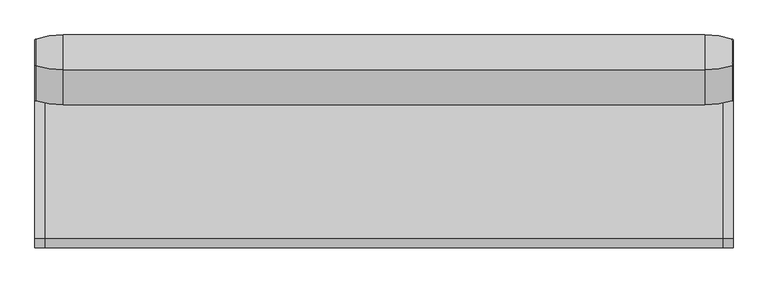
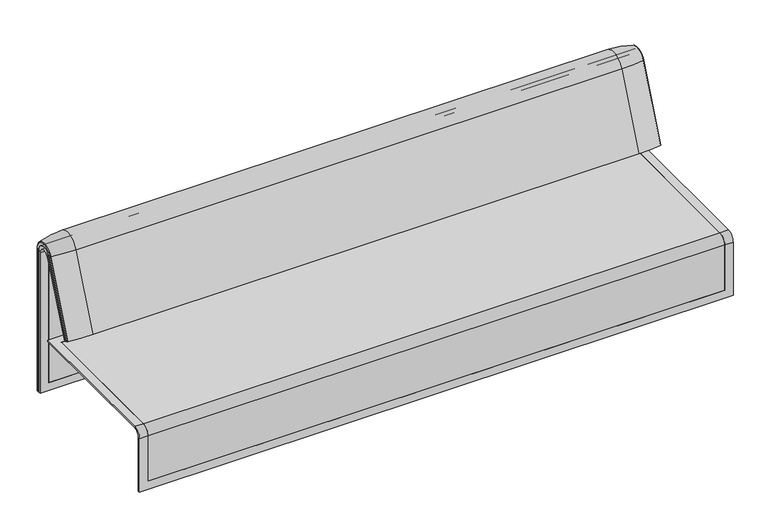
"""IFC4 building model written with IfcOpenShell, lengths in millimetres: furniture geometry."""

from ifc_helpers import new_model, si_unit, point, frame, frame_2d, origin, place, context, project, spatial, polyline, circle_curve, ellipse_curve, trimmed, segment, composite_curve, outline, extrude, source, transform, mapped, element, save
from ifc_brep_helpers import plane_surface, cylinder_surface, revolved_surface, advanced_brep


def furniture_84c65344(model_context):
    return source(origin(), model_context, "Body", "SolidModel", [
        extrude(outline(composite_curve([segment(trimmed(circle_curve(frame_2d((305.0000061, 379.9223263)), 30.0), [point((305.0000061, 349.9223263))], [point((335.0000061, 379.9223263))], True, "CARTESIAN"), True, "CONTINUOUS"), segment(polyline([(335.0000061, 379.9223263), (335.0000061, 515.0657595)]), True, "CONTINUOUS"), segment(trimmed(circle_curve(frame_2d((305.0000061, 515.0657595)), 30.0), [point((335.0000061, 515.0657595))], [point((316.7219399, 542.6809051))], True, "CARTESIAN"), True, "CONTINUOUS"), segment(polyline([(316.7219399, 542.6809051), (257.4911714, 567.8228747)]), True, "CONTINUOUS"), segment(trimmed(circle_curve(frame_2d((251.6302045, 554.0153019)), 15.0), [point((257.4911714, 567.8228747))], [point((238.0355877, 560.3545758))], True, "CARTESIAN"), True, "CONTINUOUS"), segment(polyline([(238.0355877, 560.3545758), (222.2725218, 526.5505721), (213.7507451, 529.5682915), (296.3054528, 724.0549949)]), True, "CONTINUOUS"), segment(trimmed(circle_curve(frame_2d((322.520748, 712.9272623)), 28.479258), [point((296.3054528, 724.0549949))], [point((351.0000061, 712.9272623))], False, "CARTESIAN"), True, "CONTINUOUS"), segment(polyline([(351.0000061, 712.9272623), (351.0000061, 197.0551771), (343.3075759, 197.0551771), (339.4064861, 271.492405)]), True, "CONTINUOUS"), segment(trimmed(circle_curve(frame_2d((309.4476, 269.9223263)), 30.0), [point((339.4064861, 271.492405))], [point((309.4476, 299.9223263))], True, "CARTESIAN"), True, "CONTINUOUS"), segment(polyline([(309.4476, 299.9223263), (270.0000061, 299.9223263), (270.0000061, 359.9223263), (275.0000061, 359.9223263)]), True, "CONTINUOUS"), segment(trimmed(circle_curve(frame_2d((285.0000061, 359.9223263)), 10.0), [point((275.0000061, 359.9223263))], [point((285.0000061, 349.9223263))], True, "CARTESIAN"), True, "CONTINUOUS"), segment(polyline([(285.0000061, 349.9223263), (305.0000061, 349.9223263)]), True, "CONTINUOUS")], self_intersect=False), holes=[composite_curve([segment(polyline([(337.5000061, 576.3274105), (337.5000061, 716.7072663)]), True, "CONTINUOUS"), segment(trimmed(circle_curve(frame_2d((322.5000061, 716.7072663)), 15.0), [point((337.5000061, 716.7072663))], [point((308.9053893, 723.0465402))], True, "CARTESIAN"), True, "CONTINUOUS"), segment(polyline([(308.9053893, 723.0465402), (253.6256191, 604.4986904)]), True, "CONTINUOUS"), segment(trimmed(circle_curve(frame_2d((271.7517748, 596.0463251)), 20.0), [point((253.6256191, 604.4986904))], [point((265.0756376, 577.1934953))], True, "CARTESIAN"), True, "CONTINUOUS"), segment(polyline([(265.0756376, 577.1934953), (314.1406626, 559.8186587)]), True, "CONTINUOUS"), segment(trimmed(circle_curve(frame_2d((319.9867182, 576.3274105)), 17.5132879), [point((314.1406626, 559.8186587))], [point((337.5000061, 576.3274105))], True, "CARTESIAN"), True, "CONTINUOUS")], self_intersect=False)]), frame((531.0195403, 0.0, 0.0), z_axis=(1.0, 0.0, 0.0), x_axis=(0.0, 1.0, 0.0)), (0.0, 0.0, 1.0), 40.0),
        extrude(outline(composite_curve([segment(trimmed(circle_curve(frame_2d((305.0000061, 379.9223263)), 30.0), [point((305.0000061, 349.9223263))], [point((335.0000061, 379.9223263))], True, "CARTESIAN"), True, "CONTINUOUS"), segment(polyline([(335.0000061, 379.9223263), (335.0000061, 515.0657595)]), True, "CONTINUOUS"), segment(trimmed(circle_curve(frame_2d((305.0000061, 515.0657595)), 30.0), [point((335.0000061, 515.0657595))], [point((316.7219399, 542.6809051))], True, "CARTESIAN"), True, "CONTINUOUS"), segment(polyline([(316.7219399, 542.6809051), (257.4911714, 567.8228747)]), True, "CONTINUOUS"), segment(trimmed(circle_curve(frame_2d((251.6302045, 554.0153019)), 15.0), [point((257.4911714, 567.8228747))], [point((238.0355877, 560.3545758))], True, "CARTESIAN"), True, "CONTINUOUS"), segment(polyline([(238.0355877, 560.3545758), (222.2725218, 526.5505721), (213.7507451, 529.5682915), (296.3054528, 724.0549949)]), True, "CONTINUOUS"), segment(trimmed(circle_curve(frame_2d((322.520748, 712.9272623)), 28.479258), [point((296.3054528, 724.0549949))], [point((351.0000061, 712.9272623))], False, "CARTESIAN"), True, "CONTINUOUS"), segment(polyline([(351.0000061, 712.9272623), (351.0000061, 197.0551771), (343.3075759, 197.0551771), (339.4064861, 271.492405)]), True, "CONTINUOUS"), segment(trimmed(circle_curve(frame_2d((309.4476, 269.9223263)), 30.0), [point((339.4064861, 271.492405))], [point((309.4476, 299.9223263))], True, "CARTESIAN"), True, "CONTINUOUS"), segment(polyline([(309.4476, 299.9223263), (270.0000061, 299.9223263), (270.0000061, 359.9223263), (275.0000061, 359.9223263)]), True, "CONTINUOUS"), segment(trimmed(circle_curve(frame_2d((285.0000061, 359.9223263)), 10.0), [point((275.0000061, 359.9223263))], [point((285.0000061, 349.9223263))], True, "CARTESIAN"), True, "CONTINUOUS"), segment(polyline([(285.0000061, 349.9223263), (305.0000061, 349.9223263)]), True, "CONTINUOUS")], self_intersect=False), holes=[composite_curve([segment(polyline([(337.5000061, 576.3274105), (337.5000061, 716.7072663)]), True, "CONTINUOUS"), segment(trimmed(circle_curve(frame_2d((322.5000061, 716.7072663)), 15.0), [point((337.5000061, 716.7072663))], [point((308.9053893, 723.0465402))], True, "CARTESIAN"), True, "CONTINUOUS"), segment(polyline([(308.9053893, 723.0465402), (253.6256191, 604.4986904)]), True, "CONTINUOUS"), segment(trimmed(circle_curve(frame_2d((271.7517748, 596.0463251)), 20.0), [point((253.6256191, 604.4986904))], [point((265.0756376, 577.1934953))], True, "CARTESIAN"), True, "CONTINUOUS"), segment(polyline([(265.0756376, 577.1934953), (314.1406626, 559.8186587)]), True, "CONTINUOUS"), segment(trimmed(circle_curve(frame_2d((319.9867182, 576.3274105)), 17.5132879), [point((314.1406626, 559.8186587))], [point((337.5000061, 576.3274105))], True, "CARTESIAN"), True, "CONTINUOUS")], self_intersect=False)]), frame((1061.0091339, 0.0, 0.0), z_axis=(1.0, 0.0, 0.0), x_axis=(0.0, 1.0, 0.0)), (0.0, 0.0, 1.0), 40.0),
        extrude(outline(composite_curve([segment(trimmed(circle_curve(frame_2d((305.0000061, 379.9223263)), 30.0), [point((305.0000061, 349.9223263))], [point((335.0000061, 379.9223263))], True, "CARTESIAN"), True, "CONTINUOUS"), segment(polyline([(335.0000061, 379.9223263), (335.0000061, 515.0657595)]), True, "CONTINUOUS"), segment(trimmed(circle_curve(frame_2d((305.0000061, 515.0657595)), 30.0), [point((335.0000061, 515.0657595))], [point((316.7219399, 542.6809051))], True, "CARTESIAN"), True, "CONTINUOUS"), segment(polyline([(316.7219399, 542.6809051), (257.4911714, 567.8228747)]), True, "CONTINUOUS"), segment(trimmed(circle_curve(frame_2d((251.6302045, 554.0153019)), 15.0), [point((257.4911714, 567.8228747))], [point((238.0355877, 560.3545758))], True, "CARTESIAN"), True, "CONTINUOUS"), segment(polyline([(238.0355877, 560.3545758), (222.2725218, 526.5505721), (213.7507451, 529.5682915), (296.3054528, 724.0549949)]), True, "CONTINUOUS"), segment(trimmed(circle_curve(frame_2d((322.520748, 712.9272623)), 28.479258), [point((296.3054528, 724.0549949))], [point((351.0000061, 712.9272623))], False, "CARTESIAN"), True, "CONTINUOUS"), segment(polyline([(351.0000061, 712.9272623), (351.0000061, 197.0551771), (343.3075759, 197.0551771), (339.4064861, 271.492405)]), True, "CONTINUOUS"), segment(trimmed(circle_curve(frame_2d((309.4476, 269.9223263)), 30.0), [point((339.4064861, 271.492405))], [point((309.4476, 299.9223263))], True, "CARTESIAN"), True, "CONTINUOUS"), segment(polyline([(309.4476, 299.9223263), (270.0000061, 299.9223263), (270.0000061, 359.9223263), (275.0000061, 359.9223263)]), True, "CONTINUOUS"), segment(trimmed(circle_curve(frame_2d((285.0000061, 359.9223263)), 10.0), [point((275.0000061, 359.9223263))], [point((285.0000061, 349.9223263))], True, "CARTESIAN"), True, "CONTINUOUS"), segment(polyline([(285.0000061, 349.9223263), (305.0000061, 349.9223263)]), True, "CONTINUOUS")], self_intersect=False), holes=[composite_curve([segment(polyline([(337.5000061, 576.3274105), (337.5000061, 716.7072663)]), True, "CONTINUOUS"), segment(trimmed(circle_curve(frame_2d((322.5000061, 716.7072663)), 15.0), [point((337.5000061, 716.7072663))], [point((308.9053893, 723.0465402))], True, "CARTESIAN"), True, "CONTINUOUS"), segment(polyline([(308.9053893, 723.0465402), (253.6256191, 604.4986904)]), True, "CONTINUOUS"), segment(trimmed(circle_curve(frame_2d((271.7517748, 596.0463251)), 20.0), [point((253.6256191, 604.4986904))], [point((265.0756376, 577.1934953))], True, "CARTESIAN"), True, "CONTINUOUS"), segment(polyline([(265.0756376, 577.1934953), (314.1406626, 559.8186587)]), True, "CONTINUOUS"), segment(trimmed(circle_curve(frame_2d((319.9867182, 576.3274105)), 17.5132879), [point((314.1406626, 559.8186587))], [point((337.5000061, 576.3274105))], True, "CARTESIAN"), True, "CONTINUOUS")], self_intersect=False)]), frame((-284.9947968, 0.0, 0.0), z_axis=(1.0, 0.0, 0.0), x_axis=(0.0, 1.0, 0.0)), (0.0, 0.0, 1.0), 40.0),
        extrude(outline(composite_curve([segment(trimmed(circle_curve(frame_2d((305.0000061, 379.9223263)), 30.0), [point((305.0000061, 349.9223263))], [point((335.0000061, 379.9223263))], True, "CARTESIAN"), True, "CONTINUOUS"), segment(polyline([(335.0000061, 379.9223263), (335.0000061, 515.0657595)]), True, "CONTINUOUS"), segment(trimmed(circle_curve(frame_2d((305.0000061, 515.0657595)), 30.0), [point((335.0000061, 515.0657595))], [point((316.7219399, 542.6809051))], True, "CARTESIAN"), True, "CONTINUOUS"), segment(polyline([(316.7219399, 542.6809051), (257.4911714, 567.8228747)]), True, "CONTINUOUS"), segment(trimmed(circle_curve(frame_2d((251.6302045, 554.0153019)), 15.0), [point((257.4911714, 567.8228747))], [point((238.0355877, 560.3545758))], True, "CARTESIAN"), True, "CONTINUOUS"), segment(polyline([(238.0355877, 560.3545758), (222.2725218, 526.5505721), (213.7507451, 529.5682915), (296.3054528, 724.0549949)]), True, "CONTINUOUS"), segment(trimmed(circle_curve(frame_2d((322.520748, 712.9272623)), 28.479258), [point((296.3054528, 724.0549949))], [point((351.0000061, 712.9272623))], False, "CARTESIAN"), True, "CONTINUOUS"), segment(polyline([(351.0000061, 712.9272623), (351.0000061, 197.0551771), (343.3075759, 197.0551771), (339.4064861, 271.492405)]), True, "CONTINUOUS"), segment(trimmed(circle_curve(frame_2d((309.4476, 269.9223263)), 30.0), [point((339.4064861, 271.492405))], [point((309.4476, 299.9223263))], True, "CARTESIAN"), True, "CONTINUOUS"), segment(polyline([(309.4476, 299.9223263), (270.0000061, 299.9223263), (270.0000061, 359.9223263), (275.0000061, 359.9223263)]), True, "CONTINUOUS"), segment(trimmed(circle_curve(frame_2d((285.0000061, 359.9223263)), 10.0), [point((275.0000061, 359.9223263))], [point((285.0000061, 349.9223263))], True, "CARTESIAN"), True, "CONTINUOUS"), segment(polyline([(285.0000061, 349.9223263), (305.0000061, 349.9223263)]), True, "CONTINUOUS")], self_intersect=False), holes=[composite_curve([segment(polyline([(337.5000061, 576.3274105), (337.5000061, 716.7072663)]), True, "CONTINUOUS"), segment(trimmed(circle_curve(frame_2d((322.5000061, 716.7072663)), 15.0), [point((337.5000061, 716.7072663))], [point((308.9053893, 723.0465402))], True, "CARTESIAN"), True, "CONTINUOUS"), segment(polyline([(308.9053893, 723.0465402), (253.6256191, 604.4986904)]), True, "CONTINUOUS"), segment(trimmed(circle_curve(frame_2d((271.7517748, 596.0463251)), 20.0), [point((253.6256191, 604.4986904))], [point((265.0756376, 577.1934953))], True, "CARTESIAN"), True, "CONTINUOUS"), segment(polyline([(265.0756376, 577.1934953), (314.1406626, 559.8186587)]), True, "CONTINUOUS"), segment(trimmed(circle_curve(frame_2d((319.9867182, 576.3274105)), 17.5132879), [point((314.1406626, 559.8186587))], [point((337.5000061, 576.3274105))], True, "CARTESIAN"), True, "CONTINUOUS")], self_intersect=False)]), frame((244.9947968, 0.0, 0.0), z_axis=(1.0, 0.0, 0.0), x_axis=(0.0, 1.0, 0.0)), (0.0, 0.0, 1.0), 40.0),
        advanced_brep(
        [(1224.0215056, 351.0000061, 101.8476716), (1224.0215056, 359.7858817, 101.8476716), (1224.0215056, 359.7858817, 720.3417731), (1224.0215056, 292.4403877, 733.7122262), (1224.0215056, 170.1966807, 437.98305), (1224.0215056, 175.0204081, 435.9866665), (1224.0215056, 296.2458652, 723.9869215), (1224.0215056, 351.0000061, 712.9272623), (-1223.9884174, 351.0000061, 101.8476716), (-1223.9884174, 351.0000061, 712.9272623), (-1223.9884174, 296.2720241, 723.9759107), (-1223.9884174, 175.0204081, 435.9866665), (-1223.9884174, 170.1966807, 437.98305), (-1223.9884174, 292.4403877, 733.7122262), (-1223.9884174, 359.7858817, 720.3417731), (-1223.9884174, 359.7858817, 101.8476716), (1189.1049615, 292.4403877, 733.7122262), (1189.1049615, 176.0980387, 452.25948), (-1189.1049615, 176.0980387, 452.25948), (-1189.1049615, 292.4403877, 733.7122262), (-1189.1049615, 296.2458652, 723.9869215), (-1189.1049615, 181.0136548, 450.2250668), (1189.1049615, 181.0136548, 450.2250668), (1189.1049615, 296.2458652, 723.9869215), (1189.1049615, 351.0000061, 712.9272623), (1189.1049615, 351.0000061, 135.3766997), (-1189.1049615, 351.0000061, 135.3766997), (-1189.1049615, 351.0000061, 712.9272623), (-1189.1049615, 359.7858817, 720.3417731), (-1189.1049615, 359.7858817, 135.3766997), (1189.1049615, 359.7858817, 135.3766997), (1189.1049615, 359.7858817, 720.3417731)],
        [
            (0, 1),
            (1, 2),
            (2, 3, circle_curve(frame((1224.0215056, 324.7858817, 720.3417731), z_axis=(1.0, 0.0, 0.0), x_axis=(0.0, -1.0, 0.0)), 35.0)),
            (3, 4),
            (4, 5),
            (5, 6),
            (6, 7, circle_curve(frame((1224.0215056, 322.520748, 712.9272623), z_axis=(-1.0, 0.0, 0.0), x_axis=(0.0, -1.0, 0.0)), 28.479258)),
            (7, 0),
            (8, 9),
            (9, 10, circle_curve(frame((-1223.9884174, 322.520748, 712.9272623), z_axis=(1.0, 0.0, 0.0), x_axis=(0.0, -1.0, 0.0)), 28.479258)),
            (10, 11),
            (11, 12),
            (12, 13),
            (13, 14, circle_curve(frame((-1223.9884174, 324.7858817, 720.3417731), z_axis=(-1.0, 0.0, 0.0), x_axis=(0.0, -1.0, 0.0)), 35.0)),
            (14, 15),
            (15, 8),
            (3, 16),
            (16, 17),
            (17, 18),
            (18, 19),
            (19, 13),
            (12, 4),
            (11, 5),
            (10, 20),
            (20, 21),
            (21, 22),
            (22, 23),
            (23, 6),
            (7, 24),
            (24, 25),
            (25, 26),
            (26, 27),
            (27, 9),
            (8, 0),
            (15, 1),
            (14, 28),
            (28, 29),
            (29, 30),
            (30, 31),
            (31, 2),
            (31, 16, circle_curve(frame((1189.1049615, 324.7858817, 720.3417731), z_axis=(1.0, 0.0, 0.0), x_axis=(0.0, -1.0, 0.0)), 35.0)),
            (19, 28, circle_curve(frame((-1189.1049615, 324.7858817, 720.3417731), z_axis=(-1.0, 0.0, 0.0), x_axis=(0.0, -1.0, 0.0)), 35.0)),
            (23, 24, circle_curve(frame((1189.1049615, 322.520748, 712.9272623), z_axis=(-1.0, 0.0, 0.0), x_axis=(0.0, -1.0, 0.0)), 28.479258)),
            (27, 20, circle_curve(frame((-1189.1049615, 322.520748, 712.9272623), z_axis=(1.0, 0.0, 0.0), x_axis=(0.0, -1.0, 0.0)), 28.479258)),
            (22, 17),
            (30, 25),
            (26, 29),
            (18, 21),
        ],
        [
            plane_surface(frame((1224.0215056, 359.7858817, 101.8476716), z_axis=(1.0, 0.0, 0.0), x_axis=(0.0, 1.0, 0.0))),
            plane_surface(frame((-1223.9884174, 359.7858817, 101.8476716), z_axis=(-1.0, 0.0, 0.0), x_axis=(0.0, -1.0, 0.0))),
            plane_surface(frame((1224.0215056, 292.4403877, 733.7122262), z_axis=(0.0, -0.9241569717933176, 0.3820129467515535), x_axis=(-1.0, 0.0, 0.0))),
            plane_surface(frame((1224.0215056, 170.1966807, 437.98305), z_axis=(0.0, -0.3824103944198279, -0.9239925812687414), x_axis=(-1.0, 0.0, 0.0))),
            plane_surface(frame((1224.0215056, 175.0204081, 435.9866665), z_axis=(0.0, 0.921678643444566, -0.3879542218073993), x_axis=(-1.0, 0.0, 0.0))),
            plane_surface(frame((1224.0215056, 351.0000061, 712.9272623), z_axis=(0.0, -1.0, 0.0), x_axis=(-1.0, 0.0, 0.0))),
            plane_surface(frame((1224.0215056, 351.0000061, 101.8476716), z_axis=(0.0, 0.0, -1.0), x_axis=(-1.0, 0.0, 0.0))),
            plane_surface(frame((1224.0215056, 359.7858817, 101.8476716), z_axis=(0.0, 1.0, 0.0), x_axis=(-1.0, 0.0, 0.0))),
            cylinder_surface(frame((-1223.9884174, 324.7858817, 720.3417731), z_axis=(1.0, 0.0, 0.0), x_axis=(0.0, -1.0, 0.0)), 35.0),
            revolved_surface(polyline([(1189.1049615000002, 294.04149, 712.9272623), (1224.0215055999997, 294.04149, 712.9272623)]), (-1223.9884174, 322.520748, 712.9272623), (-1.0, 0.0, 0.0)),
            revolved_surface(polyline([(-1223.9884174, 294.04149, 712.9272623), (-1189.1049615, 294.04149, 712.9272623)]), (-1223.9884174, 322.520748, 712.9272623), (-1.0, 0.0, 0.0)),
            plane_surface(frame((1189.1049615, 359.7858817, 135.3766997), z_axis=(-1.0, 0.0, 0.0), x_axis=(0.0, 1.0, 0.0))),
            plane_surface(frame((-1189.1049615, 359.7858817, 135.3766997), z_axis=(1.0, 0.0, 0.0), x_axis=(0.0, -1.0, 0.0))),
            plane_surface(frame((1189.1049615, 166.9120641, 456.0612553), z_axis=(0.0, 0.38241039441982605, 0.9239925812687422), x_axis=(-1.0, 0.0, 0.0))),
            plane_surface(frame((1189.1049615, 344.7858817, 135.3766997), z_axis=(0.0, 0.0, 1.0), x_axis=(-1.0, 0.0, 0.0))),
        ],
        [
            (0, [[1, 2, 3, 4, 5, 6, 7, 8]]),
            (1, [[9, 10, 11, 12, 13, 14, 15, 16]]),
            (2, [[-4, 17, 18, 19, 20, 21, -13, 22]]),
            (3, [[-5, -22, -12, 23]]),
            (4, [[-6, -23, -11, 24, 25, 26, 27, 28]]),
            (5, [[-8, 29, 30, 31, 32, 33, -9, 34]]),
            (6, [[-1, -34, -16, 35]]),
            (7, [[-2, -35, -15, 36, 37, 38, 39, 40]]),
            (8, [[-3, -40, 41, -17]]),
            (8, [[-14, -21, 42, -36]]),
            (9, [[-7, -28, 43, -29]]),
            (10, [[-10, -33, 44, -24]]),
            (11, [[45, -18, -41, -39, 46, -30, -43, -27]]),
            (12, [[47, -37, -42, -20, 48, -25, -44, -32]]),
            (13, [[-45, -26, -48, -19]]),
            (14, [[-46, -38, -47, -31]]),
        ],
    ),
        advanced_brep(
        [(1189.1049615, 351.0000061, 135.3766997), (1189.1049615, 359.7858817, 135.3766997), (1189.1049615, 359.7858817, 720.3417731), (1189.1049615, 292.4403877, 733.7122262), (1189.1049615, 176.0980387, 452.25948), (1189.1049615, 181.0136548, 450.2250668), (1189.1049615, 296.2458652, 723.9869215), (1189.1049615, 351.0000061, 712.9272623), (-1189.1049615, 351.0000061, 135.3766997), (-1189.1049615, 351.0000061, 712.9272623), (-1189.1049615, 296.2720241, 723.9759107), (-1189.1049615, 181.0136548, 450.2250668), (-1189.1049615, 176.0980387, 452.25948), (-1189.1049615, 292.4403877, 733.7122262), (-1189.1049615, 359.7858817, 720.3417731), (-1189.1049615, 359.7858817, 135.3766997)],
        [
            (0, 1),
            (1, 2),
            (2, 3, circle_curve(frame((1189.1049615, 324.7858817, 720.3417731), z_axis=(1.0, 0.0, 0.0), x_axis=(0.0, -1.0, 0.0)), 35.0)),
            (3, 4),
            (4, 5),
            (5, 6),
            (6, 7, circle_curve(frame((1189.1049615, 322.520748, 712.9272623), z_axis=(-1.0, 0.0, 0.0), x_axis=(0.0, -1.0, 0.0)), 28.479258)),
            (7, 0),
            (8, 9),
            (9, 10, circle_curve(frame((-1189.1049615, 322.520748, 712.9272623), z_axis=(1.0, 0.0, 0.0), x_axis=(0.0, -1.0, 0.0)), 28.479258)),
            (10, 11),
            (11, 12),
            (12, 13),
            (13, 14, circle_curve(frame((-1189.1049615, 324.7858817, 720.3417731), z_axis=(-1.0, 0.0, 0.0), x_axis=(0.0, -1.0, 0.0)), 35.0)),
            (14, 15),
            (15, 8),
            (3, 13),
            (12, 4),
            (11, 5),
            (10, 6),
            (7, 9),
            (8, 0),
            (15, 1),
            (14, 2),
        ],
        [
            plane_surface(frame((1189.1049615, 359.7858817, 135.3766997), z_axis=(1.0, 0.0, 0.0), x_axis=(0.0, 1.0, 0.0))),
            plane_surface(frame((-1189.1049615, 359.7858817, 135.3766997), z_axis=(-1.0, 0.0, 0.0), x_axis=(0.0, -1.0, 0.0))),
            plane_surface(frame((1189.1049615, 292.4403877, 733.7122262), z_axis=(0.0, -0.9241569717933176, 0.3820129467515535), x_axis=(-1.0, 0.0, 0.0))),
            plane_surface(frame((1189.1049615, 176.0980387, 452.25948), z_axis=(0.0, -0.38241039441982716, -0.9239925812687417), x_axis=(-1.0, 0.0, 0.0))),
            plane_surface(frame((1189.1049615, 181.0136548, 450.2250668), z_axis=(0.0, 0.921678643444566, -0.3879542218073993), x_axis=(-1.0, 0.0, 0.0))),
            plane_surface(frame((1189.1049615, 351.0000061, 712.9272623), z_axis=(0.0, -1.0, 0.0), x_axis=(-1.0, 0.0, 0.0))),
            plane_surface(frame((1189.1049615, 351.0000061, 135.3766997), z_axis=(0.0, 0.0, -1.0), x_axis=(-1.0, 0.0, 0.0))),
            plane_surface(frame((1189.1049615, 359.7858817, 135.3766997), z_axis=(0.0, 1.0, 0.0), x_axis=(-1.0, 0.0, 0.0))),
            cylinder_surface(frame((-1189.1049615, 324.7858817, 720.3417731), z_axis=(1.0, 0.0, 0.0), x_axis=(0.0, -1.0, 0.0)), 35.0),
            revolved_surface(polyline([(-1189.1049615, 294.04149, 712.9272623), (1189.1049615, 294.04149, 712.9272623)]), (-1189.1049615, 322.520748, 712.9272623), (-1.0, 0.0, 0.0)),
        ],
        [
            (0, [[1, 2, 3, 4, 5, 6, 7, 8]]),
            (1, [[9, 10, 11, 12, 13, 14, 15, 16]]),
            (2, [[-4, 17, -13, 18]]),
            (3, [[-5, -18, -12, 19]]),
            (4, [[-6, -19, -11, 20]]),
            (5, [[-8, 21, -9, 22]]),
            (6, [[-1, -22, -16, 23]]),
            (7, [[-2, -23, -15, 24]]),
            (8, [[-3, -24, -14, -17]]),
            (9, [[-7, -20, -10, -21]]),
        ],
    ),
        extrude(outline(composite_curve([segment(trimmed(circle_curve(frame_2d((305.0000061, 379.9223263)), 30.0), [point((305.0000061, 349.9223263))], [point((335.0000061, 379.9223263))], True, "CARTESIAN"), True, "CONTINUOUS"), segment(polyline([(335.0000061, 379.9223263), (335.0000061, 515.0657595)]), True, "CONTINUOUS"), segment(trimmed(circle_curve(frame_2d((305.0000061, 515.0657595)), 30.0), [point((335.0000061, 515.0657595))], [point((316.7219399, 542.6809051))], True, "CARTESIAN"), True, "CONTINUOUS"), segment(polyline([(316.7219399, 542.6809051), (257.4911714, 567.8228747)]), True, "CONTINUOUS"), segment(trimmed(circle_curve(frame_2d((251.6302045, 554.0153019)), 15.0), [point((257.4911714, 567.8228747))], [point((238.0355877, 560.3545758))], True, "CARTESIAN"), True, "CONTINUOUS"), segment(polyline([(238.0355877, 560.3545758), (222.2725218, 526.5505721), (213.7507451, 529.5682915), (296.3054528, 724.0549949)]), True, "CONTINUOUS"), segment(trimmed(circle_curve(frame_2d((322.520748, 712.9272623)), 28.479258), [point((296.3054528, 724.0549949))], [point((351.0000061, 712.9272623))], False, "CARTESIAN"), True, "CONTINUOUS"), segment(polyline([(351.0000061, 712.9272623), (351.0000061, 197.0551771), (343.3075759, 197.0551771), (339.4064861, 271.492405)]), True, "CONTINUOUS"), segment(trimmed(circle_curve(frame_2d((309.4476, 269.9223263)), 30.0), [point((339.4064861, 271.492405))], [point((309.4476, 299.9223263))], True, "CARTESIAN"), True, "CONTINUOUS"), segment(polyline([(309.4476, 299.9223263), (270.0000061, 299.9223263), (270.0000061, 359.9223263), (275.0000061, 359.9223263)]), True, "CONTINUOUS"), segment(trimmed(circle_curve(frame_2d((285.0000061, 359.9223263)), 10.0), [point((275.0000061, 359.9223263))], [point((285.0000061, 349.9223263))], True, "CARTESIAN"), True, "CONTINUOUS"), segment(polyline([(285.0000061, 349.9223263), (305.0000061, 349.9223263)]), True, "CONTINUOUS")], self_intersect=False), holes=[composite_curve([segment(polyline([(337.5000061, 576.3274105), (337.5000061, 716.7072663)]), True, "CONTINUOUS"), segment(trimmed(circle_curve(frame_2d((322.5000061, 716.7072663)), 15.0), [point((337.5000061, 716.7072663))], [point((308.9053893, 723.0465402))], True, "CARTESIAN"), True, "CONTINUOUS"), segment(polyline([(308.9053893, 723.0465402), (253.6256191, 604.4986904)]), True, "CONTINUOUS"), segment(trimmed(circle_curve(frame_2d((271.7517748, 596.0463251)), 20.0), [point((253.6256191, 604.4986904))], [point((265.0756376, 577.1934953))], True, "CARTESIAN"), True, "CONTINUOUS"), segment(polyline([(265.0756376, 577.1934953), (314.1406626, 559.8186587)]), True, "CONTINUOUS"), segment(trimmed(circle_curve(frame_2d((319.9867182, 576.3274105)), 17.5132879), [point((314.1406626, 559.8186587))], [point((337.5000061, 576.3274105))], True, "CARTESIAN"), True, "CONTINUOUS")], self_intersect=False)]), frame((-571.0195403, 0.0, 0.0), z_axis=(1.0, 0.0, 0.0), x_axis=(0.0, 1.0, 0.0)), (0.0, 0.0, 1.0), 40.0),
        advanced_brep(
        [(1124.0215056, 388.2902376, 100.5089435), (1221.8828771, 373.93893, 100.5089435), (1224.0215056, 371.0652495, 100.5089435), (1224.0215056, 359.7858817, 100.5089435), (-1224.0215056, 359.7858817, 100.5089435), (-1224.0215056, 371.0652495, 100.5089435), (-1221.8828771, 373.93893, 100.5089435), (-1124.0215056, 388.2902376, 100.5089435), (-1124.0215056, 388.2902376, 720.3417731), (1124.0215056, 388.2902376, 720.3417731), (1221.8828771, 373.93893, 720.3417731), (1224.0215056, 371.0652495, 720.3417731), (1224.0215056, 282.0164812, 738.0210907), (1224.0215056, 159.7723383, 442.2908598), (1224.0215056, 170.1962447, 437.9819952), (1224.0215056, 292.4403877, 733.7122262), (1224.0215056, 359.7858817, 720.3417731), (-1224.0215056, 359.7858817, 720.3417731), (1124.0215056, 143.8537454, 448.8710282), (-1124.0215056, 143.8537454, 448.8710282), (-1221.8828771, 157.1166065, 443.3886429), (-1224.0215056, 159.7723383, 442.2908598), (-1224.0215056, 170.1962447, 437.9819952), (1221.8828771, 157.1166065, 443.3886429), (1124.0215056, 266.0978884, 744.6012592), (-1124.0215056, 266.0978884, 744.6012592), (1221.8828771, 279.3607494, 739.1188739), (-1224.0215056, 292.4403877, 733.7122262), (-1224.0215056, 282.0164812, 738.0210907), (-1224.0215056, 371.0652495, 720.3417731), (-1221.8828771, 373.93893, 720.3417731), (-1221.8828771, 279.3607494, 739.1188739)],
        [
            (0, 1, circle_curve(frame((1124.0215056, 47.4569043, 100.5089435), z_axis=(0.0, 0.0, -1.0), x_axis=(0.0, -1.0, 0.0)), 340.8333333)),
            (1, 2, circle_curve(frame((1221.0215056, 371.0652495, 100.5089435), z_axis=(0.0, 0.0, -1.0), x_axis=(1.0, 0.0, 0.0)), 3.0)),
            (2, 3),
            (3, 4),
            (4, 5),
            (5, 6, circle_curve(frame((-1221.0215056, 371.0652495, 100.5089435), z_axis=(0.0, 0.0, -1.0), x_axis=(-1.0, 0.0, 0.0)), 3.0)),
            (6, 7, circle_curve(frame((-1124.0215056, 47.4569043, 100.5089435), z_axis=(0.0, 0.0, -1.0), x_axis=(0.0, -1.0, 0.0)), 340.8333333)),
            (7, 0),
            (7, 8),
            (8, 9),
            (9, 0),
            (9, 10, circle_curve(frame((1124.0215056, 47.4569043, 720.3417731), z_axis=(0.0, 0.0, -1.0), x_axis=(0.0, -1.0, 0.0)), 340.8333333)),
            (10, 1),
            (10, 11, circle_curve(frame((1221.0215056, 371.0652495, 720.3417731), z_axis=(0.0, 0.0, -1.0), x_axis=(1.0, 0.0, 0.0)), 3.0)),
            (11, 2),
            (11, 12, circle_curve(frame((1224.0215056, 324.7858817, 720.3417731), z_axis=(1.0, 0.0, 0.0), x_axis=(0.0, 1.0, 0.0)), 46.2793679)),
            (12, 13),
            (13, 14),
            (14, 15),
            (15, 16, circle_curve(frame((1224.0215056, 324.7858817, 720.3417731), z_axis=(-1.0, 0.0, 0.0), x_axis=(0.0, 1.0, 0.0)), 35.0)),
            (16, 3),
            (16, 17),
            (17, 4),
            (18, 19),
            (19, 20, circle_curve(frame((-1124.0215056, 458.8372467, 318.6682822), z_axis=(0.0, -0.38201294675155345, -0.9241569717933176), x_axis=(0.0, 0.9241569717933176, -0.38201294675155345)), 340.8333333)),
            (20, 21, circle_curve(frame((-1221.0215056, 159.7723383, 442.2908598), z_axis=(0.0, -0.38201294675155345, -0.9241569717933176), x_axis=(-1.0, 0.0, 0.0)), 3.0)),
            (21, 22),
            (22, 14),
            (13, 23, circle_curve(frame((1221.0215056, 159.7723383, 442.2908598), z_axis=(0.0, -0.38201294675155345, -0.9241569717933176), x_axis=(1.0, 0.0, 0.0)), 3.0)),
            (23, 18, circle_curve(frame((1124.0215056, 458.8372467, 318.6682822), z_axis=(0.0, -0.38201294675155345, -0.9241569717933176), x_axis=(0.0, 0.9241569717933176, -0.38201294675155345)), 340.8333333)),
            (24, 9, circle_curve(frame((1124.0215056, 324.7858817, 720.3417731), z_axis=(-1.0, 0.0, 0.0), x_axis=(0.0, 1.0, 0.0)), 63.5043559)),
            (8, 25, circle_curve(frame((-1124.0215056, 324.7858817, 720.3417731), z_axis=(1.0, 0.0, 0.0), x_axis=(0.0, 1.0, 0.0)), 63.5043559)),
            (25, 24),
            (26, 10, circle_curve(frame((1221.8828771, 324.7858817, 720.3417731), z_axis=(-1.0, 0.0, 0.0), x_axis=(0.0, 1.0, 0.0)), 49.1530483)),
            (24, 26, circle_curve(frame((1124.0215056, 581.0813896, 614.3985132), z_axis=(0.0, 0.3820129467515544, 0.9241569717933172), x_axis=(0.0, 0.9241569717933172, -0.3820129467515544)), 340.8333333)),
            (26, 12, circle_curve(frame((1221.0215056, 282.0164812, 738.0210907), z_axis=(0.0, 0.3820129467515532, 0.9241569717933177), x_axis=(1.0, 0.0, 0.0)), 3.0)),
            (27, 17, circle_curve(frame((-1224.0215056, 324.7858817, 720.3417731), z_axis=(-1.0, 0.0, 0.0), x_axis=(0.0, 1.0, 0.0)), 35.0)),
            (15, 27),
            (25, 19),
            (18, 24),
            (23, 26),
            (22, 27),
            (21, 28),
            (28, 29, circle_curve(frame((-1224.0215056, 324.7858817, 720.3417731), z_axis=(-1.0, 0.0, 0.0), x_axis=(0.0, 1.0, 0.0)), 46.2793679)),
            (29, 5),
            (29, 30, circle_curve(frame((-1221.0215056, 371.0652495, 720.3417731), z_axis=(0.0, 0.0, -1.0), x_axis=(-1.0, 0.0, 0.0)), 3.0)),
            (30, 6),
            (30, 8, circle_curve(frame((-1124.0215056, 47.4569043, 720.3417731), z_axis=(0.0, 0.0, -1.0), x_axis=(0.0, -1.0, 0.0)), 340.8333333)),
            (31, 30, circle_curve(frame((-1221.8828771, 324.7858817, 720.3417731), z_axis=(-1.0, 0.0, 0.0), x_axis=(0.0, 1.0, 0.0)), 49.1530483)),
            (28, 31, circle_curve(frame((-1221.0215056, 282.0164812, 738.0210907), z_axis=(0.0, 0.382012946751554, 0.9241569717933174), x_axis=(-1.0, 0.0, 0.0)), 3.0)),
            (31, 25, circle_curve(frame((-1124.0215056, 581.0813896, 614.3985132), z_axis=(0.0, 0.3820129467515544, 0.9241569717933172), x_axis=(0.0, 0.9241569717933172, -0.3820129467515544)), 340.8333333)),
            (20, 31),
        ],
        [
            plane_surface(frame((-811.2493139, 359.7858817, 100.5089435), z_axis=(0.0, 0.0, -1.0), x_axis=(1.0, 0.0, 0.0))),
            plane_surface(frame((-1124.0215056, 388.2902376, 100.5089435), z_axis=(0.0, 1.0, 0.0), x_axis=(0.0, 0.0, 1.0))),
            cylinder_surface(frame((1124.0215056, 47.4569043, 100.5089435), z_axis=(0.0, 0.0, -1.0), x_axis=(0.0, -1.0, 0.0)), 340.8333333),
            cylinder_surface(frame((1221.0215056, 371.0652495, 100.5089435), z_axis=(0.0, 0.0, -1.0), x_axis=(1.0, 0.0, 0.0)), 3.0),
            plane_surface(frame((1224.0215056, 371.0652495, 100.5089435), z_axis=(1.0, 0.0, 0.0), x_axis=(0.0, 0.0, 1.0))),
            plane_surface(frame((1224.0215056, 359.7858817, 100.5089435), z_axis=(0.0, -1.0, 0.0), x_axis=(0.0, 0.0, 1.0))),
            plane_surface(frame((-811.2493139, 170.1962447, 437.9819952), z_axis=(0.0, -0.38201294675155345, -0.9241569717933176), x_axis=(1.0, 0.0, 0.0))),
            cylinder_surface(frame((-811.2493139, 324.7858817, 720.3417731), z_axis=(1.0, 0.0, 0.0), x_axis=(0.0, 1.0, 0.0)), 63.5043559),
            revolved_surface(trimmed(ellipse_curve(frame((1124.0215056, 47.4569043, 720.3417731), z_axis=(0.0, 0.0, -1.0), x_axis=(0.0, -1.0, 0.0)), 340.8333333, 340.8333333), [point((1124.0215056, 388.2902376, 720.3417731))], [point((1221.8828771, 373.93893, 720.3417731))], True, "CARTESIAN"), (-811.2493139, 324.7858817, 720.3417731), (1.0, 0.0, 0.0)),
            revolved_surface(trimmed(ellipse_curve(frame((1221.0215056, 371.0652495, 720.3417731), z_axis=(0.0, 0.0, -1.0), x_axis=(1.0, 0.0, 0.0)), 3.0, 3.0), [point((1221.8828771, 373.93893, 720.3417731))], [point((1224.0215056, 371.0652495, 720.3417731))], True, "CARTESIAN"), (-811.2493139, 324.7858817, 720.3417731), (1.0, 0.0, 0.0)),
            revolved_surface(polyline([(1224.0215056000002, 359.7858817, 720.3417731), (-1224.0215056, 359.7858817, 720.3417731)]), (-811.2493139, 324.7858817, 720.3417731), (1.0, 0.0, 0.0)),
            plane_surface(frame((-1124.0215056, 266.0978884, 744.6012592), z_axis=(0.0, -0.9241569717933175, 0.38201294675155373), x_axis=(0.0, -0.38201294675155373, -0.9241569717933175))),
            cylinder_surface(frame((1124.0215056, 581.0813896, 614.3985132), z_axis=(0.0, 0.38201294675155345, 0.9241569717933176), x_axis=(0.0, 0.9241569717933176, -0.38201294675155345)), 340.8333333),
            cylinder_surface(frame((1221.0215056, 282.0164812, 738.0210907), z_axis=(0.0, 0.38201294675155345, 0.9241569717933176), x_axis=(1.0, 0.0, 0.0)), 3.0),
            plane_surface(frame((1224.0215056, 292.4403877, 733.7122262), z_axis=(0.0, 0.9241569717933172, -0.3820129467515543), x_axis=(0.0, -0.3820129467515543, -0.9241569717933172))),
            plane_surface(frame((-1224.0215056, 359.7858817, 100.5089435), z_axis=(-1.0, 0.0, 0.0), x_axis=(0.0, 0.0, 1.0))),
            cylinder_surface(frame((-1221.0215056, 371.0652495, 100.5089435), z_axis=(0.0, 0.0, -1.0), x_axis=(-1.0, 0.0, 0.0)), 3.0),
            cylinder_surface(frame((-1124.0215056, 47.4569043, 100.5089435), z_axis=(0.0, 0.0, -1.0), x_axis=(0.0, -1.0, 0.0)), 340.8333333),
            revolved_surface(trimmed(ellipse_curve(frame((-1221.0215056, 371.0652495, 720.3417731), z_axis=(0.0, 0.0, -1.0), x_axis=(-1.0, 0.0, 0.0)), 3.0, 3.0), [point((-1224.0215056, 371.0652495, 720.3417731))], [point((-1221.8828771, 373.93893, 720.3417731))], True, "CARTESIAN"), (-811.2493139, 324.7858817, 720.3417731), (1.0, 0.0, 0.0)),
            revolved_surface(trimmed(ellipse_curve(frame((-1124.0215056, 47.4569043, 720.3417731), z_axis=(0.0, 0.0, -1.0), x_axis=(0.0, -1.0, 0.0)), 340.8333333, 340.8333333), [point((-1221.8828771, 373.93893, 720.3417731))], [point((-1124.0215056, 388.2902376, 720.3417731))], True, "CARTESIAN"), (-811.2493139, 324.7858817, 720.3417731), (1.0, 0.0, 0.0)),
            cylinder_surface(frame((-1221.0215056, 282.0164812, 738.0210907), z_axis=(0.0, 0.38201294675155345, 0.9241569717933176), x_axis=(-1.0, 0.0, 0.0)), 3.0),
            cylinder_surface(frame((-1124.0215056, 581.0813896, 614.3985132), z_axis=(0.0, 0.38201294675155345, 0.9241569717933176), x_axis=(0.0, 0.9241569717933176, -0.38201294675155345)), 340.8333333),
        ],
        [
            (0, [[1, 2, 3, 4, 5, 6, 7, 8]]),
            (1, [[-8, 9, 10, 11]]),
            (2, [[-1, -11, 12, 13]]),
            (3, [[-2, -13, 14, 15]]),
            (4, [[-3, -15, 16, 17, 18, 19, 20, 21]]),
            (5, [[-4, -21, 22, 23]]),
            (6, [[24, 25, 26, 27, 28, -18, 29, 30]]),
            (7, [[31, -10, 32, 33]]),
            (8, [[34, -12, -31, 35]]),
            (9, [[-16, -14, -34, 36]]),
            (10, [[37, -22, -20, 38]]),
            (11, [[-33, 39, -24, 40]]),
            (12, [[-35, -40, -30, 41]]),
            (13, [[-36, -41, -29, -17]]),
            (14, [[-38, -19, -28, 42]]),
            (15, [[-5, -23, -37, -42, -27, 43, 44, 45]]),
            (16, [[-6, -45, 46, 47]]),
            (17, [[-7, -47, 48, -9]]),
            (18, [[49, -46, -44, 50]]),
            (19, [[-32, -48, -49, 51]]),
            (20, [[-50, -43, -26, 52]]),
            (21, [[-51, -52, -25, -39]]),
        ],
    ),
        extrude(outline(composite_curve([segment(trimmed(circle_curve(frame_2d((305.0000061, 379.9223263)), 30.0), [point((305.0000061, 349.9223263))], [point((335.0000061, 379.9223263))], True, "CARTESIAN"), True, "CONTINUOUS"), segment(polyline([(335.0000061, 379.9223263), (335.0000061, 515.0657595)]), True, "CONTINUOUS"), segment(trimmed(circle_curve(frame_2d((305.0000061, 515.0657595)), 30.0), [point((335.0000061, 515.0657595))], [point((316.7219399, 542.6809051))], True, "CARTESIAN"), True, "CONTINUOUS"), segment(polyline([(316.7219399, 542.6809051), (257.4911714, 567.8228747)]), True, "CONTINUOUS"), segment(trimmed(circle_curve(frame_2d((251.6302045, 554.0153019)), 15.0), [point((257.4911714, 567.8228747))], [point((238.0355877, 560.3545758))], True, "CARTESIAN"), True, "CONTINUOUS"), segment(polyline([(238.0355877, 560.3545758), (222.2725218, 526.5505721), (213.7507451, 529.5682915), (296.3054528, 724.0549949)]), True, "CONTINUOUS"), segment(trimmed(circle_curve(frame_2d((322.520748, 712.9272623)), 28.479258), [point((296.3054528, 724.0549949))], [point((351.0000061, 712.9272623))], False, "CARTESIAN"), True, "CONTINUOUS"), segment(polyline([(351.0000061, 712.9272623), (351.0000061, 197.0551771), (343.3075759, 197.0551771), (339.4064861, 271.492405)]), True, "CONTINUOUS"), segment(trimmed(circle_curve(frame_2d((309.4476, 269.9223263)), 30.0), [point((339.4064861, 271.492405))], [point((309.4476, 299.9223263))], True, "CARTESIAN"), True, "CONTINUOUS"), segment(polyline([(309.4476, 299.9223263), (270.0000061, 299.9223263), (270.0000061, 359.9223263), (275.0000061, 359.9223263)]), True, "CONTINUOUS"), segment(trimmed(circle_curve(frame_2d((285.0000061, 359.9223263)), 10.0), [point((275.0000061, 359.9223263))], [point((285.0000061, 349.9223263))], True, "CARTESIAN"), True, "CONTINUOUS"), segment(polyline([(285.0000061, 349.9223263), (305.0000061, 349.9223263)]), True, "CONTINUOUS")], self_intersect=False), holes=[composite_curve([segment(polyline([(337.5000061, 576.3274105), (337.5000061, 716.7072663)]), True, "CONTINUOUS"), segment(trimmed(circle_curve(frame_2d((322.5000061, 716.7072663)), 15.0), [point((337.5000061, 716.7072663))], [point((308.9053893, 723.0465402))], True, "CARTESIAN"), True, "CONTINUOUS"), segment(polyline([(308.9053893, 723.0465402), (253.6256191, 604.4986904)]), True, "CONTINUOUS"), segment(trimmed(circle_curve(frame_2d((271.7517748, 596.0463251)), 20.0), [point((253.6256191, 604.4986904))], [point((265.0756376, 577.1934953))], True, "CARTESIAN"), True, "CONTINUOUS"), segment(polyline([(265.0756376, 577.1934953), (314.1406626, 559.8186587)]), True, "CONTINUOUS"), segment(trimmed(circle_curve(frame_2d((319.9867182, 576.3274105)), 17.5132879), [point((314.1406626, 559.8186587))], [point((337.5000061, 576.3274105))], True, "CARTESIAN"), True, "CONTINUOUS")], self_intersect=False)]), frame((-1101.0091339, 0.0, 0.0), z_axis=(1.0, 0.0, 0.0), x_axis=(0.0, 1.0, 0.0)), (0.0, 0.0, 1.0), 40.0),
        advanced_brep(
        [(-1223.9718733, 295.0, 359.922434), (-1223.9718733, -323.7517936, 359.922434), (-1223.9718733, -351.0, 332.6742277), (-1223.9718733, -351.0, 100.5089435), (-1223.9718733, -357.5, 100.5089435), (-1223.9718733, -357.5, 333.0583003), (-1223.9718733, -324.3858663, 366.172434), (-1223.9718733, 295.0, 366.172434), (1223.9718733, 295.0, 359.922434), (1223.9718733, 295.0, 366.172434), (1223.9718733, -324.3858663, 366.172434), (1223.9718733, -357.5, 333.0583003), (1223.9718733, -357.5, 100.5089435), (1223.9718733, -351.0, 100.5089435), (1223.9718733, -351.0, 332.6742277), (1223.9718733, -323.7517936, 359.922434), (-1189.0718733, -324.3858663, 366.172434), (-1189.0718733, 260.0, 366.172434), (1189.0718733, 260.0, 366.172434), (1189.0718733, -324.3858663, 366.172434), (-1189.0718733, -357.5, 333.0583003), (1189.0718733, -357.5, 333.0583003), (1189.0718733, -357.5, 135.3766997), (-1189.0718733, -357.5, 135.3766997), (-1189.0718733, -351.0, 332.6742277), (-1189.0718733, -351.0, 135.3766997), (1189.0718733, -351.0, 135.3766997), (1189.0718733, -351.0, 332.6742277), (-1189.0718733, -323.7517936, 359.922434), (1189.0718733, -323.7517936, 359.922434), (1189.0718733, 260.0, 359.922434), (-1189.0718733, 260.0, 359.922434)],
        [
            (0, 1),
            (1, 2, circle_curve(frame((-1223.9718733, -323.7517936, 332.6742277), z_axis=(1.0, 0.0, 0.0), x_axis=(0.0, -1.0, 0.0)), 27.2482064)),
            (2, 3),
            (3, 4),
            (4, 5),
            (5, 6, circle_curve(frame((-1223.9718733, -324.3858663, 333.0583003), z_axis=(-1.0, 0.0, 0.0), x_axis=(0.0, -1.0, 0.0)), 33.1141337)),
            (6, 7),
            (7, 0),
            (8, 9),
            (9, 10),
            (10, 11, circle_curve(frame((1223.9718733, -324.3858663, 333.0583003), z_axis=(1.0, 0.0, 0.0), x_axis=(0.0, -1.0, 0.0)), 33.1141337)),
            (11, 12),
            (12, 13),
            (13, 14),
            (14, 15, circle_curve(frame((1223.9718733, -323.7517936, 332.6742277), z_axis=(-1.0, 0.0, 0.0), x_axis=(0.0, -1.0, 0.0)), 27.2482064)),
            (15, 8),
            (7, 9),
            (8, 0),
            (6, 16),
            (16, 17),
            (17, 18),
            (18, 19),
            (19, 10),
            (5, 20),
            (20, 16, circle_curve(frame((-1189.0718733, -324.3858663, 333.0583003), z_axis=(-1.0, 0.0, 0.0), x_axis=(0.0, -1.0, 0.0)), 33.1141337)),
            (19, 21, circle_curve(frame((1189.0718733, -324.3858663, 333.0583003), z_axis=(1.0, 0.0, 0.0), x_axis=(0.0, -1.0, 0.0)), 33.1141337)),
            (21, 11),
            (4, 12),
            (21, 22),
            (22, 23),
            (23, 20),
            (3, 13),
            (2, 24),
            (24, 25),
            (25, 26),
            (26, 27),
            (27, 14),
            (1, 28),
            (28, 24, circle_curve(frame((-1189.0718733, -323.7517936, 332.6742277), z_axis=(1.0, 0.0, 0.0), x_axis=(0.0, -1.0, 0.0)), 27.2482064)),
            (27, 29, circle_curve(frame((1189.0718733, -323.7517936, 332.6742277), z_axis=(-1.0, 0.0, 0.0), x_axis=(0.0, -1.0, 0.0)), 27.2482064)),
            (29, 15),
            (29, 30),
            (30, 31),
            (31, 28),
            (31, 17),
            (23, 25),
            (26, 22),
            (18, 30),
        ],
        [
            plane_surface(frame((-1223.9718733, -296.9265415, 359.922434), z_axis=(-1.0, 0.0, 0.0), x_axis=(0.0, -1.0, 0.0))),
            plane_surface(frame((1223.9718733, -296.9265415, 359.922434), z_axis=(1.0, 0.0, 0.0), x_axis=(0.0, 1.0, 0.0))),
            plane_surface(frame((-1223.9718733, 295.0, 366.172434), z_axis=(0.0, 1.0, 0.0), x_axis=(1.0, 0.0, 0.0))),
            plane_surface(frame((-1223.9718733, -324.3858663, 366.172434), z_axis=(0.0, 0.0, 1.0), x_axis=(1.0, 0.0, 0.0))),
            cylinder_surface(frame((1223.9718733, -324.3858663, 333.0583003), z_axis=(-1.0, 0.0, 0.0), x_axis=(0.0, -1.0, 0.0)), 33.1141337),
            plane_surface(frame((-1223.9718733, -357.5, 100.5089435), z_axis=(0.0, -1.0, 0.0), x_axis=(1.0, 0.0, 0.0))),
            plane_surface(frame((-1223.9718733, -351.0, 100.5089435), z_axis=(0.0, 0.0, -1.0), x_axis=(1.0, 0.0, 0.0))),
            plane_surface(frame((-1223.9718733, -351.0, 332.6742277), z_axis=(0.0, 1.0, 0.0), x_axis=(1.0, 0.0, 0.0))),
            revolved_surface(polyline([(-1189.0718733000003, -351.0, 332.6742277), (-1223.9718733, -351.0, 332.6742277)]), (1223.9718733, -323.7517936, 332.6742277), (1.0, 0.0, 0.0)),
            revolved_surface(polyline([(1223.9718733, -351.0, 332.6742277), (1189.0718733, -351.0, 332.6742277)]), (1223.9718733, -323.7517936, 332.6742277), (1.0, 0.0, 0.0)),
            plane_surface(frame((-1223.9718733, 295.0, 359.922434), z_axis=(0.0, 0.0, -1.0), x_axis=(1.0, 0.0, 0.0))),
            plane_surface(frame((-1189.0718733, -296.9265415, 359.922434), z_axis=(1.0, 0.0, 0.0), x_axis=(0.0, -1.0, 0.0))),
            plane_surface(frame((1189.0718733, -296.9265415, 359.922434), z_axis=(-1.0, 0.0, 0.0), x_axis=(0.0, 1.0, 0.0))),
            plane_surface(frame((-1189.0718733, 260.0, 366.172434), z_axis=(0.0, -1.0, 0.0), x_axis=(1.0, 0.0, 0.0))),
            plane_surface(frame((-1189.0718733, -351.0, 135.3766997), z_axis=(0.0, 0.0, 1.0), x_axis=(1.0, 0.0, 0.0))),
        ],
        [
            (0, [[1, 2, 3, 4, 5, 6, 7, 8]]),
            (1, [[9, 10, 11, 12, 13, 14, 15, 16]]),
            (2, [[-8, 17, -9, 18]]),
            (3, [[-7, 19, 20, 21, 22, 23, -10, -17]]),
            (4, [[-6, 24, 25, -19]]),
            (4, [[-11, -23, 26, 27]]),
            (5, [[-5, 28, -12, -27, 29, 30, 31, -24]]),
            (6, [[-4, 32, -13, -28]]),
            (7, [[-3, 33, 34, 35, 36, 37, -14, -32]]),
            (8, [[-2, 38, 39, -33]]),
            (9, [[-15, -37, 40, 41]]),
            (10, [[-1, -18, -16, -41, 42, 43, 44, -38]]),
            (11, [[45, -20, -25, -31, 46, -34, -39, -44]]),
            (12, [[47, -29, -26, -22, 48, -42, -40, -36]]),
            (13, [[-45, -43, -48, -21]]),
            (14, [[-46, -30, -47, -35]]),
        ],
    ),
        extrude(outline(composite_curve([segment(polyline([(260.0, 359.922434), (-323.7517936, 359.922434)]), True, "CONTINUOUS"), segment(trimmed(circle_curve(frame_2d((-323.7517936, 332.6742277)), 27.2482064), [point((-323.7517936, 359.922434))], [point((-351.0, 332.6742277))], True, "CARTESIAN"), True, "CONTINUOUS"), segment(polyline([(-351.0, 332.6742277), (-351.0, 135.3766997), (-357.5, 135.3766997), (-357.5, 333.0583003)]), True, "CONTINUOUS"), segment(trimmed(circle_curve(frame_2d((-324.3858663, 333.0583003)), 33.1141337), [point((-357.5, 333.0583003))], [point((-324.3858663, 366.172434))], False, "CARTESIAN"), True, "CONTINUOUS"), segment(polyline([(-324.3858663, 366.172434), (260.0, 366.172434), (260.0, 359.922434)]), True, "CONTINUOUS")], self_intersect=False)), frame((-1189.0718733, 0.0, 0.0), z_axis=(1.0, 0.0, 0.0), x_axis=(0.0, 1.0, 0.0)), (0.0, 0.0, 1.0), 2378.1437465),
    ])


if __name__ == "__main__":
    model = new_model("IFC4")
    model_context = context("Model", 3, world=origin())
    ifc_project = project(units=[si_unit("LENGTHUNIT", "METRE", prefix="MILLI")], contexts=[model_context])
    site = spatial("IfcSite", under=ifc_project)
    building = spatial("IfcBuilding", under=site)
    placement = place(None, origin())
    furniture_shape = furniture_84c65344(model_context)
    element("IfcFurniture", 1, at=placement, inside=building, context=model_context, shape_type="MappedRepresentation", body=[
        mapped(furniture_shape, transform((0.0, 0.0, 0.0), x_axis=(1.0, 0.0, 0.0), y_axis=(0.0, 1.0, 0.0), z_axis=(0.0, 0.0, 1.0))),
    ])
    save(model, "model.ifc")
